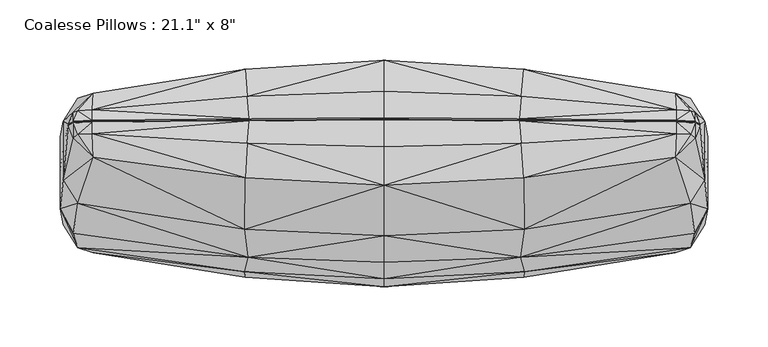
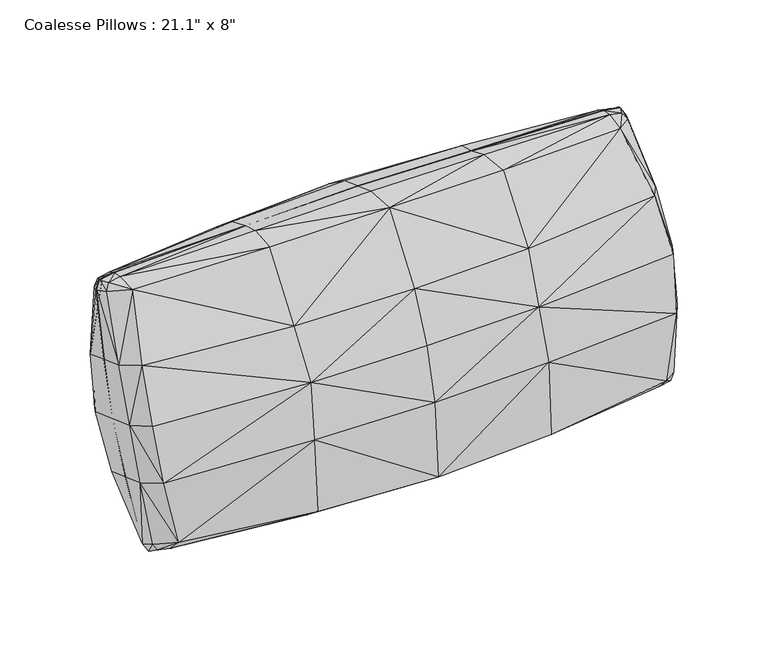
"""IFC4 building model written with IfcOpenShell, lengths in millimetres: furniture geometry."""

from ifc_helpers import new_model, si_unit, origin, place, context, project, spatial, triangles, source, transform, mapped, element, save


def furniture_b74624fc(model_context):
    return source(origin(), model_context, "Body", "Tessellation", [
        triangles([(0.0001943, -10.1184776, 269.7106266), (9.98e-05, -52.4536297, 210.3301668), (116.320607, -46.7195911, 208.2172325), (115.814824, -4.091253, 264.9565563), (0.000101, -74.2009578, 163.4093752), (113.1859692, -70.2742852, 161.9801747), (254.4093076, -25.2242711, 202.4309941), (242.0466901, 12.9986558, 254.2521588), (258.3611013, -50.0190763, 154.6078594), (243.036855, 32.7946144, 256.4648689), (113.8667416, 24.7344573, 264.4076072), (0.0001926, 21.9245021, 267.7287163), (269.1917447, -29.6406735, 147.1907794), (266.6809786, -6.0312424, 195.2920222), (258.7454892, 28.9829943, 248.5095587), (254.8684184, 32.1066976, 254.3816204), (112.2202396, 43.5029996, 257.5044312), (0.0001913, 44.2617514, 259.5938749), (243.051607, 42.4926416, 254.6547323), (258.624203, 41.8398607, 252.7572282), (263.0339629, 39.0803907, 245.2492926), (266.7591534, 17.7509116, 186.7556791), (269.2070962, -0.5087657, 136.5876476), (112.3989532, 43.891675, 256.335589), (0.0001913, 44.6513352, 258.4227618), (242.9391502, 42.8777925, 253.5499669), (257.3316401, 42.2897107, 251.9342043), (261.1658901, 39.7503308, 244.9573046), (264.7486111, 18.50049, 186.5738407), (267.1893778, 0.2115875, 136.3254452), (0.0001886, 93.8631933, 231.864481), (115.814824, 86.190206, 232.0968796), (116.320607, 82.3740781, 161.2310198), (9.2e-05, 88.1247627, 159.163795), (113.1859601, 70.6974561, 110.6707157), (9.27e-05, 74.6241196, 109.2415152), (242.0466901, 66.2179013, 234.8819748), (254.4093076, 62.1883961, 170.6154034), (258.3611013, 50.4422517, 118.0429765), (243.036855, 52.4756441, 249.3015889), (113.8667416, 63.7555334, 250.2051311), (0.00019, 68.0428353, 250.9429676), (269.1917447, 30.0638331, 125.4601745), (266.6809786, 42.8968457, 177.4836433), (258.7454892, 50.2819463, 240.7574338), (254.8684184, 51.6635344, 247.2635774), (112.2202396, 44.9407298, 256.981171), (0.0001912, 45.7025474, 259.0694701), (243.051607, 43.8829682, 254.1486949), (258.624203, 43.1633537, 252.2754989), (263.0339629, 40.4512328, 244.7503587), (266.7591534, 19.1916179, 186.231347), (269.2070962, 0.9319409, 136.0632519), (-115.8145333, -4.0912783, 264.9565563), (-116.3204708, -46.7196092, 208.2172325), (-113.1858147, -70.2742988, 161.9801747), (-242.046563, 12.9986297, 254.2521588), (-254.9314233, -25.2243029, 202.4309941), (-258.9035645, -50.019108, 154.6078594), (-243.0366551, 32.7945826, 256.4648689), (-113.8664509, 24.7344459, 264.4076072), (-269.734208, -29.640703, 147.1907794), (-267.203058, -6.0312782, 195.2920222), (-258.745253, 28.9829647, 248.5095587), (-254.8681459, 32.1066681, 254.3816204), (-112.2200397, 43.502986, 257.5044312), (-243.0514435, 42.4926143, 254.6547323), (-258.6240395, 41.839829, 252.7572282), (-263.0337449, 39.0803589, 245.2492926), (-267.2811782, 17.7508821, 186.7556791), (-269.7495232, -0.5088139, 136.5876476), (-112.3986626, 43.8916478, 256.335589), (-242.9389867, 42.8777652, 253.5499669), (-257.3314948, 42.2896834, 251.9342043), (-261.1657448, 39.750299, 244.9573046), (-265.2706178, 18.5004605, 186.5738407), (-267.7319138, 0.2115395, 136.3254452), (-116.3204799, 82.374069, 161.2310198), (-115.8145424, 86.1901969, 232.0968796), (-113.1858329, 70.6974107, 110.6707157), (-254.9314233, 62.1883689, 170.6154034), (-242.046563, 66.2178695, 234.8819748), (-258.9035645, 50.4422245, 118.0429765), (-243.0366551, 52.4756169, 249.3015889), (-113.8664509, 63.7555198, 250.2051311), (-269.734208, 30.0638036, 125.4601745), (-267.203058, 42.8968139, 177.4836433), (-258.745253, 50.2819145, 240.7574338), (-254.8681459, 51.6635026, 247.2635774), (-112.2200397, 44.9407116, 256.981171), (-243.0514435, 43.8829364, 254.1486949), (-258.6240395, 43.1633219, 252.2754989), (-263.0337449, 40.451201, 244.7503587), (-267.2811782, 19.1915884, 186.231347), (-269.7495232, 0.9318928, 136.0633064), (0.000199, -94.5102105, 37.8461774), (115.814833, -86.8573255, 37.5584951), (116.3206161, -82.3740599, 110.2572962), (0.0001018, -88.1247445, 112.3244483), (242.0466901, -66.2181147, 36.6055963), (254.4093076, -62.1883553, 100.8729035), (243.036855, -52.4758531, 22.185921), (113.8667416, -64.4226575, 19.4502481), (0.0001976, -68.6898298, 18.7676249), (266.6809786, -42.8967957, 94.0046636), (258.7454892, -50.2821825, 30.7300692), (254.8684184, -51.6637569, 24.2239824), (112.2202396, -45.6078629, 12.6741526), (0.0001964, -46.3495419, 10.6411871), (243.051607, -43.883209, 17.338782), (258.624203, -43.1635763, 19.2119769), (263.0339629, -40.4514735, 26.7371534), (266.7591534, -19.1915884, 85.2569962), (0.0001963, -45.2983479, 11.2878682), (112.3989532, -44.5587991, 13.3197005), (242.9391502, -42.8780241, 17.9375407), (257.3316401, -42.2899468, 19.5533032), (261.1658901, -39.7505806, 26.5302052), (264.7486111, -18.5004605, 84.9144753), (0.0001933, 9.4714791, -2.98e-05), (9.4e-05, 52.4536342, 61.158181), (116.320607, 46.7196092, 63.2711062), (115.814824, 3.4241131, 4.6987236), (254.4093076, 25.2243029, 69.0572855), (242.0466901, -12.9989091, 17.2353681), (243.036855, -32.7948437, 15.0226647), (113.8667416, -25.4015927, 5.2477124), (0.000195, -22.5715079, 1.9819439), (266.6809786, 6.0312782, 76.196312), (258.7454892, -28.9832577, 22.9779488), (254.8684184, -32.1069519, 17.105877), (112.2202396, -44.1701282, 12.1508833), (0.0001963, -44.9087595, 10.1167562), (243.051607, -42.4928868, 16.8327684), (258.624203, -41.8400833, 18.7302827), (263.0339629, -39.080636, 26.2382036), (266.7591534, -17.7508764, 84.7325915), (-116.3204617, -82.3740781, 110.2572962), (-115.8145333, -86.8573528, 37.5584951), (-254.9314233, -62.1883825, 100.8729035), (-242.046563, -66.2181511, 36.6055963), (-243.0366551, -52.4758803, 22.185921), (-113.8664509, -64.4226756, 19.4502481), (-267.203058, -42.8968275, 94.0046636), (-258.745253, -50.2822097, 30.7300692), (-254.8681459, -51.6637842, 24.2239824), (-112.2200397, -45.6078629, 12.6742128), (-243.0514435, -43.883218, 17.3388422), (-258.6240395, -43.1636035, 19.2119769), (-263.0337449, -40.4515053, 26.7371534), (-267.2811782, -19.1916179, 85.2569962), (-112.3986626, -44.5588127, 13.3197005), (-242.9389867, -42.8780559, 17.9375407), (-257.3314948, -42.2899741, 19.5533032), (-261.1657448, -39.7506078, 26.5302052), (-265.2706178, -18.50049, 84.9144753), (-115.8145333, 3.4241, 4.6987236), (-116.3204708, 46.7195911, 63.2711062), (-242.046563, -12.9989352, 17.2353681), (-254.9314233, 25.2242734, 69.0572855), (-243.0366551, -32.7948732, 15.0226647), (-113.8664509, -25.401604, 5.2477124), (-267.203058, 6.0312481, 76.196312), (-258.745253, -28.9832872, 22.9779488), (-254.8681459, -32.1069815, 17.105877), (-112.2200397, -44.1701418, 12.1508833), (-243.0514435, -42.4929141, 16.8327684), (-258.6240395, -41.8401151, 18.7302827), (-263.0337449, -39.0806633, 26.2382036), (-267.2811782, -17.750906, 84.7325915)], [[1, 2, 3], [1, 3, 4], [2, 5, 6], [2, 6, 3], [3, 7, 8], [3, 8, 4], [6, 9, 7], [6, 7, 3], [10, 11, 4], [10, 4, 8], [1, 4, 11], [1, 11, 12], [13, 14, 7], [13, 7, 9], [8, 7, 14], [8, 14, 15], [16, 10, 8], [16, 8, 15], [17, 18, 12], [17, 12, 11], [17, 11, 10], [17, 10, 19], [19, 10, 16], [19, 16, 20], [20, 16, 15], [20, 15, 21], [21, 15, 14], [21, 14, 22], [22, 14, 13], [22, 13, 23], [17, 24, 25], [17, 25, 18], [24, 17, 19], [24, 19, 26], [26, 19, 20], [26, 20, 27], [27, 20, 21], [27, 21, 28], [28, 21, 22], [28, 22, 29], [29, 22, 23], [29, 23, 30], [31, 32, 33], [31, 33, 34], [34, 33, 35], [34, 35, 36], [33, 32, 37], [33, 37, 38], [35, 33, 38], [35, 38, 39], [40, 37, 32], [40, 32, 41], [31, 42, 41], [31, 41, 32], [43, 39, 38], [43, 38, 44], [37, 45, 44], [37, 44, 38], [46, 45, 37], [46, 37, 40], [47, 41, 42], [47, 42, 48], [47, 49, 40], [47, 40, 41], [49, 50, 46], [49, 46, 40], [50, 51, 45], [50, 45, 46], [51, 52, 44], [51, 44, 45], [52, 53, 43], [52, 43, 44], [47, 48, 25], [47, 25, 24], [24, 26, 49], [24, 49, 47], [26, 27, 50], [26, 50, 49], [27, 28, 51], [27, 51, 50], [28, 29, 52], [28, 52, 51], [29, 30, 53], [29, 53, 52], [1, 54, 55], [1, 55, 2], [2, 55, 56], [2, 56, 5], [55, 54, 57], [55, 57, 58], [56, 55, 58], [56, 58, 59], [60, 57, 54], [60, 54, 61], [1, 12, 61], [1, 61, 54], [62, 59, 58], [62, 58, 63], [57, 64, 63], [57, 63, 58], [65, 64, 57], [65, 57, 60], [66, 61, 12], [66, 12, 18], [66, 67, 60], [66, 60, 61], [67, 68, 65], [67, 65, 60], [68, 69, 64], [68, 64, 65], [69, 70, 63], [69, 63, 64], [70, 71, 62], [70, 62, 63], [66, 18, 25], [66, 25, 72], [72, 73, 67], [72, 67, 66], [73, 74, 68], [73, 68, 67], [74, 75, 69], [74, 69, 68], [75, 76, 70], [75, 70, 69], [76, 77, 71], [76, 71, 70], [31, 34, 78], [31, 78, 79], [34, 36, 80], [34, 80, 78], [78, 81, 82], [78, 82, 79], [80, 83, 81], [80, 81, 78], [84, 85, 79], [84, 79, 82], [31, 79, 85], [31, 85, 42], [86, 87, 81], [86, 81, 83], [82, 81, 87], [82, 87, 88], [89, 84, 82], [89, 82, 88], [90, 48, 42], [90, 42, 85], [90, 85, 84], [90, 84, 91], [91, 84, 89], [91, 89, 92], [92, 89, 88], [92, 88, 93], [93, 88, 87], [93, 87, 94], [94, 87, 86], [94, 86, 95], [90, 72, 25], [90, 25, 48], [72, 90, 91], [72, 91, 73], [73, 91, 92], [73, 92, 74], [74, 92, 93], [74, 93, 75], [75, 93, 94], [75, 94, 76], [76, 94, 95], [76, 95, 77], [96, 97, 98], [96, 98, 99], [99, 98, 6], [99, 6, 5], [98, 97, 100], [98, 100, 101], [6, 98, 101], [6, 101, 9], [102, 100, 97], [102, 97, 103], [96, 104, 103], [96, 103, 97], [13, 9, 101], [13, 101, 105], [100, 106, 105], [100, 105, 101], [107, 106, 100], [107, 100, 102], [108, 103, 104], [108, 104, 109], [108, 110, 102], [108, 102, 103], [110, 111, 107], [110, 107, 102], [111, 112, 106], [111, 106, 107], [112, 113, 105], [112, 105, 106], [113, 23, 13], [113, 13, 105], [108, 109, 114], [108, 114, 115], [115, 116, 110], [115, 110, 108], [116, 117, 111], [116, 111, 110], [117, 118, 112], [117, 112, 111], [118, 119, 113], [118, 113, 112], [119, 30, 23], [119, 23, 113], [120, 121, 122], [120, 122, 123], [121, 36, 35], [121, 35, 122], [122, 124, 125], [122, 125, 123], [35, 39, 124], [35, 124, 122], [126, 127, 123], [126, 123, 125], [120, 123, 127], [120, 127, 128], [43, 129, 124], [43, 124, 39], [125, 124, 129], [125, 129, 130], [131, 126, 125], [131, 125, 130], [132, 133, 128], [132, 128, 127], [132, 127, 126], [132, 126, 134], [134, 126, 131], [134, 131, 135], [135, 131, 130], [135, 130, 136], [136, 130, 129], [136, 129, 137], [137, 129, 43], [137, 43, 53], [132, 115, 114], [132, 114, 133], [115, 132, 134], [115, 134, 116], [116, 134, 135], [116, 135, 117], [117, 135, 136], [117, 136, 118], [118, 136, 137], [118, 137, 119], [119, 137, 53], [119, 53, 30], [96, 99, 138], [96, 138, 139], [99, 5, 56], [99, 56, 138], [138, 140, 141], [138, 141, 139], [56, 59, 140], [56, 140, 138], [142, 143, 139], [142, 139, 141], [96, 139, 143], [96, 143, 104], [62, 144, 140], [62, 140, 59], [141, 140, 144], [141, 144, 145], [146, 142, 141], [146, 141, 145], [147, 109, 104], [147, 104, 143], [147, 143, 142], [147, 142, 148], [148, 142, 146], [148, 146, 149], [149, 146, 145], [149, 145, 150], [150, 145, 144], [150, 144, 151], [151, 144, 62], [151, 62, 71], [147, 152, 114], [147, 114, 109], [152, 147, 148], [152, 148, 153], [153, 148, 149], [153, 149, 154], [154, 149, 150], [154, 150, 155], [155, 150, 151], [155, 151, 156], [156, 151, 71], [156, 71, 77], [120, 157, 158], [120, 158, 121], [121, 158, 80], [121, 80, 36], [158, 157, 159], [158, 159, 160], [80, 158, 160], [80, 160, 83], [161, 159, 157], [161, 157, 162], [120, 128, 162], [120, 162, 157], [86, 83, 160], [86, 160, 163], [159, 164, 163], [159, 163, 160], [165, 164, 159], [165, 159, 161], [166, 162, 128], [166, 128, 133], [166, 167, 161], [166, 161, 162], [167, 168, 165], [167, 165, 161], [168, 169, 164], [168, 164, 165], [169, 170, 163], [169, 163, 164], [170, 95, 86], [170, 86, 163], [166, 133, 114], [166, 114, 152], [152, 153, 167], [152, 167, 166], [153, 154, 168], [153, 168, 167], [154, 155, 169], [154, 169, 168], [155, 156, 170], [155, 170, 169], [156, 77, 95], [156, 95, 170]]),
    ])


if __name__ == "__main__":
    model = new_model("IFC4")
    model_context = context("Model", 3, world=origin())
    ifc_project = project(units=[si_unit("LENGTHUNIT", "METRE", prefix="MILLI")], contexts=[model_context])
    site = spatial("IfcSite", under=ifc_project)
    building = spatial("IfcBuilding", under=site)
    placement = place(None, origin())
    furniture_shape = furniture_b74624fc(model_context)
    element("IfcFurniture", 1, ObjectType="Coalesse Pillows : 21.1\" x 8\"", at=placement, inside=building, context=model_context, shape_type="MappedRepresentation", body=[
        mapped(furniture_shape, transform((0.0, 0.0, 0.0), x_axis=(1.0, 0.0, 0.0), y_axis=(0.0, 1.0, 0.0), z_axis=(0.0, 0.0, 1.0))),
    ])
    save(model, "model.ifc")
